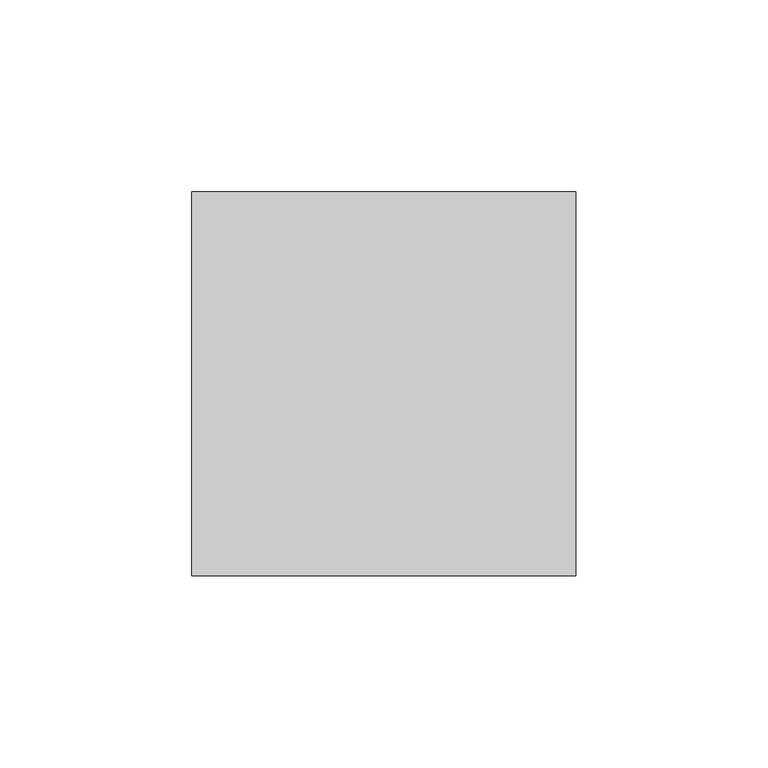
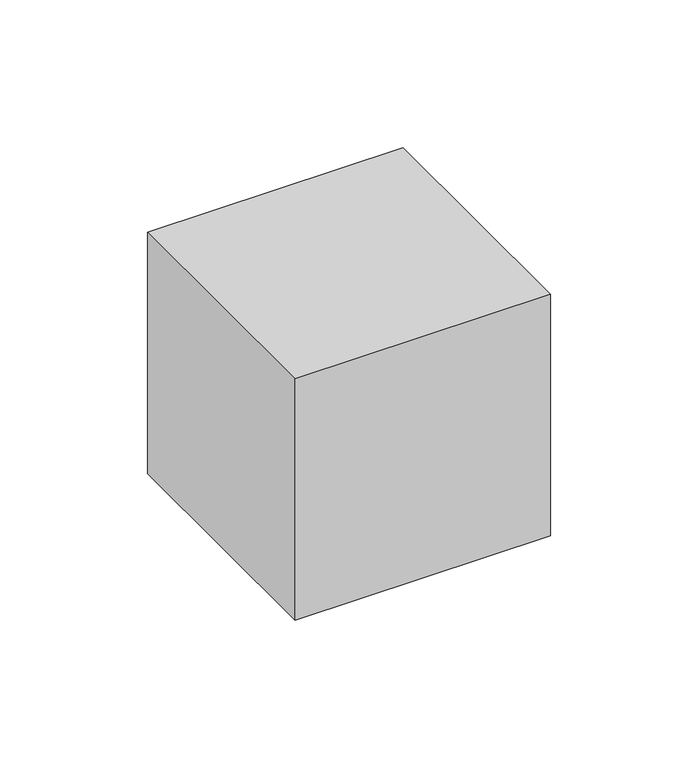
"""IFC4 building model written with IfcOpenShell, lengths in millimetres: switching device geometry."""

from ifc_helpers import new_model, si_unit, frame, origin, place, context, project, spatial, polyline, outline, extrude, source, transform, mapped, element, save


def switching_device_f638735b(model_context):
    return source(origin(), model_context, "Body", "SweptSolid", [
        extrude(outline(polyline([(175.0, 0.0), (75.0, 0.0), (75.0, 100.0), (175.0, 100.0), (175.0, 0.0)])), frame((0.0, 0.0, 1800.0), z_axis=(0.0, 0.0, 1.0), x_axis=(1.0, 0.0, 0.0)), (0.0, 0.0, 1.0), 100.0),
    ])


if __name__ == "__main__":
    model = new_model("IFC4")
    model_context = context("Model", 3, world=origin())
    ifc_project = project(units=[si_unit("LENGTHUNIT", "METRE", prefix="MILLI")], contexts=[model_context])
    site = spatial("IfcSite", under=ifc_project)
    building = spatial("IfcBuilding", under=site)
    placement = place(None, origin())
    switching_device_shape = switching_device_f638735b(model_context)
    element("IfcSwitchingDevice", 1, at=placement, inside=building, context=model_context, shape_type="MappedRepresentation", body=[
        mapped(switching_device_shape, transform((0.0, 0.0, 0.0), x_axis=(1.0, 0.0, 0.0), y_axis=(0.0, 1.0, 0.0), z_axis=(0.0, 0.0, 1.0))),
    ])
    save(model, "model.ifc")
